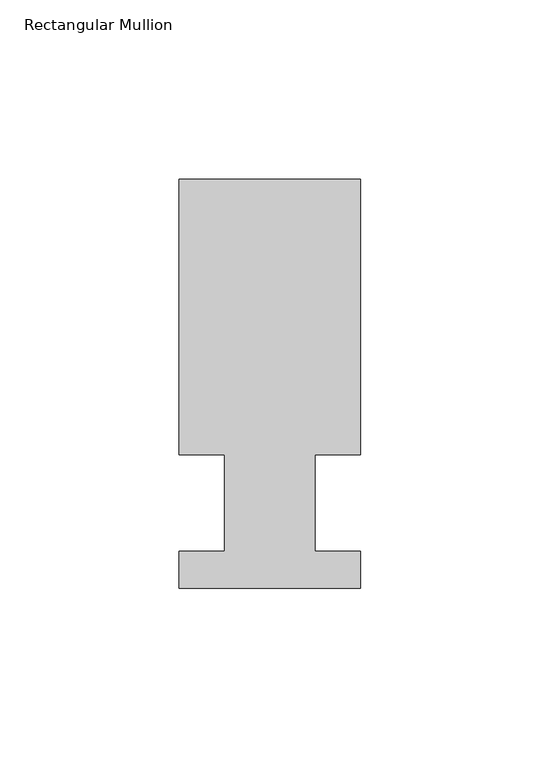
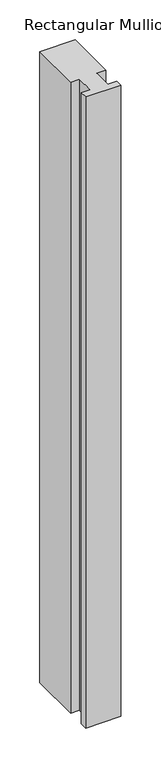
"""IFC4 building model written with IfcOpenShell, lengths in millimetres: member geometry, Rectangular Mullion."""

from ifc_helpers import new_model, si_unit, frame, origin, place, context, project, spatial, polyline, outline, extrude, source, transform, mapped, element, save


def rectangular_mullion_4cf0ad70(model_context):
    return source(origin(), model_context, "Body", "SweptSolid", [
        extrude(outline(polyline([(29.7344027, 90.4875), (29.7344027, 13.49375), (17.0326322, 13.49375), (17.0326322, -13.49375), (29.7344027, -13.49375), (29.7344027, -23.8125), (-21.0655973, -23.8125), (-21.0655973, -13.49375), (-8.3655973, -13.49375), (-8.3655973, 13.49375), (-21.0655973, 13.49375), (-21.0655973, 90.4875), (29.7344027, 90.4875)])), frame((0.0, 0.0, -965.2), z_axis=(0.0, 0.0, 1.0), x_axis=(1.0, 0.0, 0.0)), (0.0, 0.0, 1.0), 965.2),
    ])


if __name__ == "__main__":
    model = new_model("IFC4")
    model_context = context("Model", 3, world=origin())
    ifc_project = project(units=[si_unit("LENGTHUNIT", "METRE", prefix="MILLI")], contexts=[model_context])
    site = spatial("IfcSite", under=ifc_project)
    building = spatial("IfcBuilding", under=site)
    placement = place(None, origin())
    rectangular_mullion_shape = rectangular_mullion_4cf0ad70(model_context)
    element("IfcMember", 1, ObjectType="Rectangular Mullion", at=placement, inside=building, context=model_context, shape_type="MappedRepresentation", body=[
        mapped(rectangular_mullion_shape, transform((0.0, 0.0, 0.0), x_axis=(1.0, 0.0, 0.0), y_axis=(0.0, 1.0, 0.0), z_axis=(0.0, 0.0, 1.0))),
    ])
    save(model, "model.ifc")
